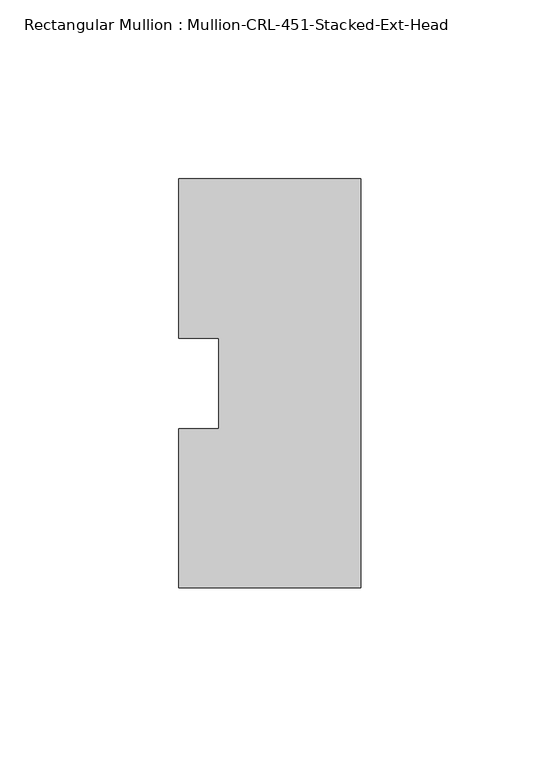
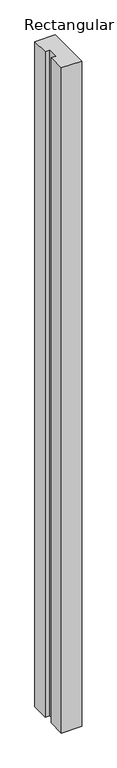
"""IFC4 building model written with IfcOpenShell, lengths in millimetres: member geometry, Rectangular Mullion : Mullion-CRL-451-Stacked-Ext-Head."""

from ifc_helpers import new_model, si_unit, frame, origin, place, context, project, spatial, polyline, outline, extrude, source, transform, mapped, element, save


def rectangular_mullion_mullion_crl_451_stacked_ext_head_54c46b75(model_context):
    return source(origin(), model_context, "Body", "SweptSolid", [
        extrude(outline(polyline([(0.0, -57.15), (-50.8, -57.15), (-50.8, -12.7), (-39.6875, -12.7), (-39.6875, 12.6906895), (-50.8, 12.6906895), (-50.8, 57.15), (0.0, 57.15), (0.0, -57.15)])), frame((0.0, 0.0, -1752.6), z_axis=(0.0, 0.0, 1.0), x_axis=(1.0, 0.0, 0.0)), (0.0, 0.0, 1.0), 1752.6),
    ])


if __name__ == "__main__":
    model = new_model("IFC4")
    model_context = context("Model", 3, world=origin())
    ifc_project = project(units=[si_unit("LENGTHUNIT", "METRE", prefix="MILLI")], contexts=[model_context])
    site = spatial("IfcSite", under=ifc_project)
    building = spatial("IfcBuilding", under=site)
    placement = place(None, origin())
    rectangular_mullion_mullion_crl_451_stacked_ext_head_shape = rectangular_mullion_mullion_crl_451_stacked_ext_head_54c46b75(model_context)
    element("IfcMember", 1, ObjectType="Rectangular Mullion : Mullion-CRL-451-Stacked-Ext-Head", at=placement, inside=building, context=model_context, shape_type="MappedRepresentation", body=[
        mapped(rectangular_mullion_mullion_crl_451_stacked_ext_head_shape, transform((0.0, 0.0, 0.0), x_axis=(1.0, 0.0, 0.0), y_axis=(0.0, 1.0, 0.0), z_axis=(0.0, 0.0, 1.0))),
    ])
    save(model, "model.ifc")
